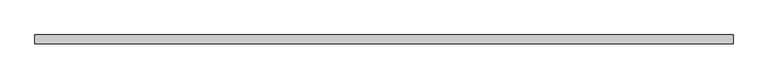
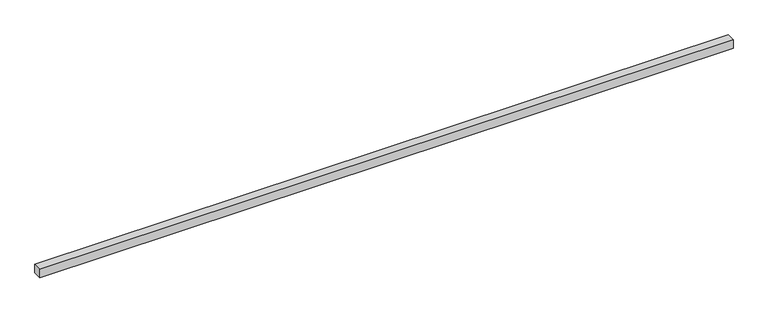
"""IFC4 building model written with IfcOpenShell, lengths in millimetres: beam geometry."""

from ifc_helpers import new_model, si_unit, frame, origin, place, context, project, spatial, polyline, outline, extrude, source, transform, mapped, element, save


def beam_d1f5f972(model_context):
    return source(origin(), model_context, "Body", "SweptSolid", [
        extrude(outline(polyline([(-1524.0, -19.05), (-1524.0, 19.05), (1524.0, 19.05), (1524.0, -19.05), (-1524.0, -19.05)])), frame((0.0, 0.0, -19.05), z_axis=(0.0, 0.0, 1.0), x_axis=(1.0, 0.0, 0.0)), (0.0, 0.0, 1.0), 38.1),
    ])


if __name__ == "__main__":
    model = new_model("IFC4")
    model_context = context("Model", 3, world=origin())
    ifc_project = project(units=[si_unit("LENGTHUNIT", "METRE", prefix="MILLI")], contexts=[model_context])
    site = spatial("IfcSite", under=ifc_project)
    building = spatial("IfcBuilding", under=site)
    placement = place(None, origin())
    beam_shape = beam_d1f5f972(model_context)
    element("IfcBeam", 1, at=placement, inside=building, context=model_context, shape_type="MappedRepresentation", body=[
        mapped(beam_shape, transform((0.0, 0.0, 0.0), x_axis=(1.0, 0.0, 0.0), y_axis=(0.0, 1.0, 0.0), z_axis=(0.0, 0.0, 1.0))),
    ])
    save(model, "model.ifc")
